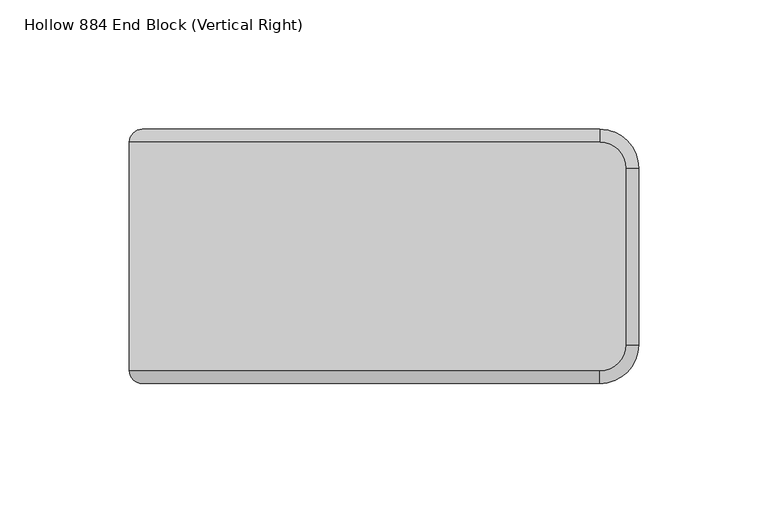
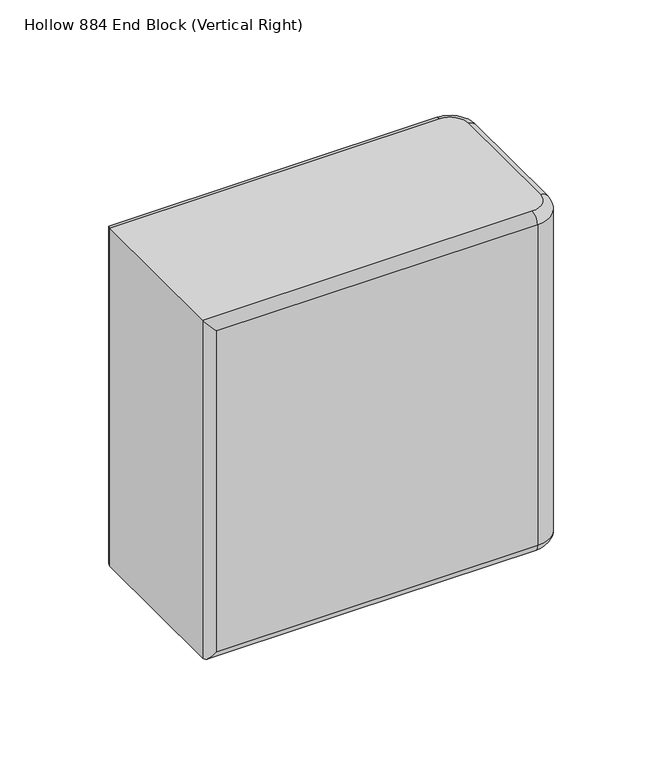
"""IFC4 building model written with IfcOpenShell, lengths in millimetres: plate geometry, Hollow 884 End Block (Vertical Right)."""

from ifc_helpers import new_model, si_unit, point, frame, origin, place, context, project, spatial, circle_curve, ellipse_curve, trimmed, source, transform, mapped, element, save
from ifc_brep_helpers import plane_surface, cylinder_surface, revolved_surface, advanced_brep


def hollow_884_end_block_vertical_right_e2c1cc96(model_context):
    return source(origin(), model_context, "Body", "AdvancedBrep", [
        advanced_brep(
        [(-98.4249998, 44.2, 197.0), (-98.4249998, -44.2, 197.0), (83.4249998, -44.2, 197.0), (93.4249998, -34.2, 197.0), (93.4249998, 34.2, 197.0), (83.4249998, 44.2, 197.0), (-98.4249998, -44.2, 0.0), (-98.4249998, 44.2, 0.0), (83.4249998, 44.2, 0.0), (93.4249998, 34.2, 0.0), (93.4249998, -34.2, 0.0), (83.4249998, -44.2, 0.0), (83.4249998, -49.2, 5.0), (83.4249998, -49.2, 192.0), (-93.4249998, -49.2, 192.0), (-93.4249998, -49.2, 5.0), (83.4249998, 49.2, 192.0), (83.4249998, 49.2, 5.0), (-93.4249998, 49.2, 5.0), (-93.4249998, 49.2, 192.0), (98.4249998, -34.2, 192.0), (98.4249998, -34.2, 5.0), (98.4249998, 34.2, 5.0), (98.4249998, 34.2, 192.0)],
        [
            (0, 1),
            (1, 2),
            (2, 3, circle_curve(frame((83.4249998, -34.2, 197.0), z_axis=(0.0, 0.0, 1.0), x_axis=(1.0, 0.0, 0.0)), 10.0)),
            (3, 4),
            (4, 5, circle_curve(frame((83.4249998, 34.2, 197.0), z_axis=(0.0, 0.0, 1.0), x_axis=(0.0, 1.0, 0.0)), 10.0)),
            (5, 0),
            (6, 7),
            (7, 8),
            (8, 9, circle_curve(frame((83.4249998, 34.2, 0.0), z_axis=(0.0, 0.0, -1.0), x_axis=(1.0, 0.0, 0.0)), 10.0)),
            (9, 10),
            (10, 11, circle_curve(frame((83.4249998, -34.2, 0.0), z_axis=(0.0, 0.0, -1.0), x_axis=(0.0, -1.0, 0.0)), 10.0)),
            (11, 6),
            (12, 13),
            (13, 14),
            (14, 15),
            (15, 12),
            (0, 7),
            (6, 1),
            (16, 17),
            (17, 18),
            (18, 19),
            (19, 16),
            (20, 21),
            (21, 22),
            (22, 23),
            (23, 20),
            (20, 13, circle_curve(frame((83.4249998, -34.2, 192.0), z_axis=(0.0, 0.0, -1.0), x_axis=(-1.0, 0.0, 0.0)), 15.0)),
            (12, 21, circle_curve(frame((83.4249998, -34.2, 5.0), z_axis=(0.0, 0.0, 1.0), x_axis=(-1.0, 0.0, 0.0)), 15.0)),
            (16, 23, circle_curve(frame((83.4249998, 34.2, 192.0), z_axis=(0.0, 0.0, -1.0), x_axis=(-1.0, 0.0, 0.0)), 15.0)),
            (22, 17, circle_curve(frame((83.4249998, 34.2, 5.0), z_axis=(0.0, 0.0, 1.0), x_axis=(-1.0, 0.0, 0.0)), 15.0)),
            (11, 12, circle_curve(frame((83.4249998, -44.2, 5.0), z_axis=(-1.0, 0.0, 0.0), x_axis=(0.0, 0.0, -1.0)), 5.0)),
            (15, 6, ellipse_curve(frame((-93.4249998, -44.2, 5.0), z_axis=(0.7071067811865475, 0.0, -0.7071067811865475), x_axis=(0.7071067811865476, 0.0, 0.7071067811865474)), 7.0710678, 5.0)),
            (10, 21, circle_curve(frame((93.4249998, -34.2, 5.0), z_axis=(0.0, -1.0, 0.0), x_axis=(0.0, 0.0, -1.0)), 5.0)),
            (9, 22, circle_curve(frame((93.4249998, 34.2, 5.0), z_axis=(0.0, -1.0, 0.0), x_axis=(0.0, 0.0, -1.0)), 5.0)),
            (8, 17, circle_curve(frame((83.4249998, 44.2, 5.0), z_axis=(1.0, 0.0, 0.0), x_axis=(0.0, 0.0, -1.0)), 5.0)),
            (7, 18, ellipse_curve(frame((-93.4249998, 44.2, 5.0), z_axis=(0.7071067811865475, 0.0, -0.7071067811865475), x_axis=(-0.7071067811865476, 0.0, -0.7071067811865474)), 7.0710678, 5.0)),
            (0, 19, ellipse_curve(frame((-93.4249998, 44.2, 192.0), z_axis=(-0.7071067811865475, 0.0, -0.7071067811865475), x_axis=(-0.7071067811865474, 0.0, 0.7071067811865476)), 7.0710678, 5.0)),
            (5, 16, circle_curve(frame((83.4249998, 44.2, 192.0), z_axis=(-1.0, 0.0, 0.0), x_axis=(0.0, 0.0, 1.0)), 5.0)),
            (4, 23, circle_curve(frame((93.4249998, 34.2, 192.0), z_axis=(0.0, 1.0, 0.0), x_axis=(0.0, 0.0, 1.0)), 5.0)),
            (3, 20, circle_curve(frame((93.4249998, -34.2, 192.0), z_axis=(0.0, 1.0, 0.0), x_axis=(0.0, 0.0, 1.0)), 5.0)),
            (2, 13, circle_curve(frame((83.4249998, -44.2, 192.0), z_axis=(1.0, 0.0, 0.0), x_axis=(0.0, 0.0, 1.0)), 5.0)),
            (1, 14, ellipse_curve(frame((-93.4249998, -44.2, 192.0), z_axis=(0.7071067811865475, 0.0, 0.7071067811865475), x_axis=(-0.7071067811865476, 0.0, 0.7071067811865474)), 7.0710678, 5.0)),
        ],
        [
            plane_surface(frame((98.4249998, 34.2, 197.0), z_axis=(0.0, 0.0, 1.0), x_axis=(0.0, 1.0, 0.0))),
            plane_surface(frame((98.4249998, 34.2, 0.0), z_axis=(0.0, 0.0, -1.0), x_axis=(0.0, -1.0, 0.0))),
            plane_surface(frame((-98.4249998, -49.2, 197.0), z_axis=(0.0, -1.0, 0.0), x_axis=(0.0, 0.0, -1.0))),
            plane_surface(frame((-98.4249998, 49.2, 197.0), z_axis=(-1.0, 0.0, 0.0), x_axis=(0.0, 0.0, -1.0))),
            plane_surface(frame((83.4249998, 49.2, 197.0), z_axis=(0.0, 1.0, 0.0), x_axis=(0.0, 0.0, -1.0))),
            plane_surface(frame((98.4249998, -34.2, 197.0), z_axis=(1.0, 0.0, 0.0), x_axis=(0.0, 0.0, -1.0))),
            cylinder_surface(frame((83.4249998, -34.2, 0.0), z_axis=(0.0, 0.0, 1.0), x_axis=(-1.0, 0.0, 0.0)), 15.0),
            cylinder_surface(frame((83.4249998, 34.2, 0.0), z_axis=(0.0, 0.0, 1.0), x_axis=(-1.0, 0.0, 0.0)), 15.0),
            cylinder_surface(frame((-98.4249998, -44.2, 5.0), z_axis=(1.0, 0.0, 0.0), x_axis=(0.0, 0.0, -1.0)), 5.0),
            revolved_surface(trimmed(ellipse_curve(frame((83.4249998, -44.2, 5.0), z_axis=(-1.0, 0.0, 0.0), x_axis=(0.0, 0.0, -1.0)), 5.0, 5.0), [point((83.4249998, -44.2, 0.0))], [point((83.4249998, -49.2, 5.0))], True, "CARTESIAN"), (83.4249998, -34.2, 0.0), (0.0, 0.0, 1.0)),
            cylinder_surface(frame((93.4249998, -34.2, 5.0), z_axis=(0.0, 1.0, 0.0), x_axis=(0.0, 0.0, -1.0)), 5.0),
            revolved_surface(trimmed(ellipse_curve(frame((93.4249998, 34.2, 5.0), z_axis=(0.0, -1.0, 0.0), x_axis=(0.0, 0.0, -1.0)), 5.0, 5.0), [point((93.4249998, 34.2, 0.0))], [point((98.4249998, 34.2, 5.0))], True, "CARTESIAN"), (83.4249998, 34.2, 0.0), (0.0, 0.0, 1.0)),
            cylinder_surface(frame((83.4249998, 44.2, 5.0), z_axis=(-1.0, 0.0, 0.0), x_axis=(0.0, 0.0, -1.0)), 5.0),
            cylinder_surface(frame((-93.4249998, 44.2, 0.0), z_axis=(0.0, 0.0, 1.0), x_axis=(-1.0, 0.0, 0.0)), 5.0),
            cylinder_surface(frame((-98.4249998, 44.2, 192.0), z_axis=(1.0, 0.0, 0.0), x_axis=(0.0, 0.0, 1.0)), 5.0),
            revolved_surface(trimmed(ellipse_curve(frame((83.4249998, 44.2, 192.0), z_axis=(-1.0, 0.0, 0.0), x_axis=(0.0, 0.0, 1.0)), 5.0, 5.0), [point((83.4249998, 44.2, 197.0))], [point((83.4249998, 49.2, 192.0))], True, "CARTESIAN"), (83.4249998, 34.2, 197.0), (0.0, 0.0, -1.0)),
            cylinder_surface(frame((93.4249998, 34.2, 192.0), z_axis=(0.0, -1.0, 0.0), x_axis=(0.0, 0.0, 1.0)), 5.0),
            revolved_surface(trimmed(ellipse_curve(frame((93.4249998, -34.2, 192.0), z_axis=(0.0, 1.0, 0.0), x_axis=(0.0, 0.0, 1.0)), 5.0, 5.0), [point((93.4249998, -34.2, 197.0))], [point((98.4249998, -34.2, 192.0))], True, "CARTESIAN"), (83.4249998, -34.2, 197.0), (0.0, 0.0, -1.0)),
            cylinder_surface(frame((83.4249998, -44.2, 192.0), z_axis=(-1.0, 0.0, 0.0), x_axis=(0.0, 0.0, 1.0)), 5.0),
            cylinder_surface(frame((-93.4249998, -44.2, 197.0), z_axis=(0.0, 0.0, -1.0), x_axis=(-1.0, 0.0, 0.0)), 5.0),
        ],
        [
            (0, [[1, 2, 3, 4, 5, 6]]),
            (1, [[7, 8, 9, 10, 11, 12]]),
            (2, [[13, 14, 15, 16]]),
            (3, [[-1, 17, -7, 18]]),
            (4, [[19, 20, 21, 22]]),
            (5, [[23, 24, 25, 26]]),
            (6, [[-23, 27, -13, 28]]),
            (7, [[-19, 29, -25, 30]]),
            (8, [[31, -16, 32, -12]]),
            (9, [[-31, -11, 33, -28]]),
            (10, [[-33, -10, 34, -24]]),
            (11, [[-34, -9, 35, -30]]),
            (12, [[-35, -8, 36, -20]]),
            (13, [[-36, -17, 37, -21]]),
            (14, [[-37, -6, 38, -22]]),
            (15, [[-38, -5, 39, -29]]),
            (16, [[-39, -4, 40, -26]]),
            (17, [[-40, -3, 41, -27]]),
            (18, [[-41, -2, 42, -14]]),
            (19, [[-32, -15, -42, -18]]),
        ],
    ),
    ])


if __name__ == "__main__":
    model = new_model("IFC4")
    model_context = context("Model", 3, world=origin())
    ifc_project = project(units=[si_unit("LENGTHUNIT", "METRE", prefix="MILLI")], contexts=[model_context])
    site = spatial("IfcSite", under=ifc_project)
    building = spatial("IfcBuilding", under=site)
    placement = place(None, origin())
    hollow_884_end_block_vertical_right_shape = hollow_884_end_block_vertical_right_e2c1cc96(model_context)
    element("IfcPlate", 1, ObjectType="Hollow 884 End Block (Vertical Right)", at=placement, inside=building, context=model_context, shape_type="MappedRepresentation", body=[
        mapped(hollow_884_end_block_vertical_right_shape, transform((0.0, 0.0, 0.0), x_axis=(1.0, 0.0, 0.0), y_axis=(0.0, 1.0, 0.0), z_axis=(0.0, 0.0, 1.0))),
    ])
    save(model, "model.ifc")
